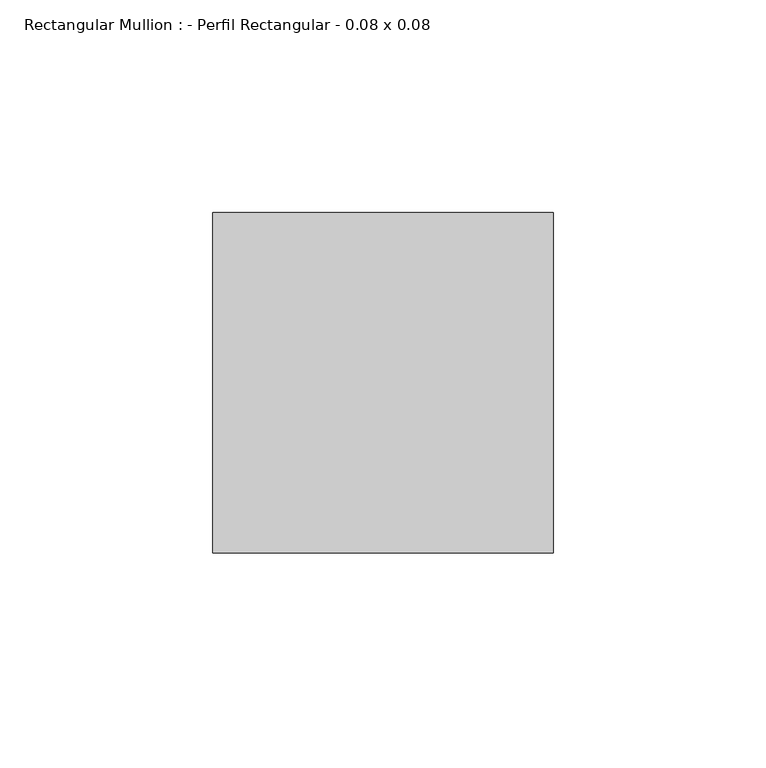
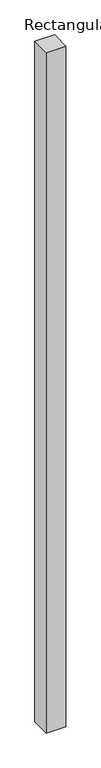
"""IFC4 building model written with IfcOpenShell, lengths in millimetres: member geometry, Rectangular Mullion : - Perfil Rectangular - 0.08 x 0.08."""

from ifc_helpers import new_model, si_unit, frame, origin, place, context, project, spatial, polyline, outline, extrude, source, transform, mapped, element, save


def rectangular_mullion_perfil_rectangular_0_08_x_0_08_0f60dfaa(model_context):
    return source(origin(), model_context, "Body", "SweptSolid", [
        extrude(outline(polyline([(0.0, 80.0), (0.0, 0.0), (-80.0, 0.0), (-80.0, 80.0), (0.0, 80.0)])), frame((0.0, 0.0, -2920.0), z_axis=(0.0, 0.0, 1.0), x_axis=(1.0, 0.0, 0.0)), (0.0, 0.0, 1.0), 2920.0),
    ])


if __name__ == "__main__":
    model = new_model("IFC4")
    model_context = context("Model", 3, world=origin())
    ifc_project = project(units=[si_unit("LENGTHUNIT", "METRE", prefix="MILLI")], contexts=[model_context])
    site = spatial("IfcSite", under=ifc_project)
    building = spatial("IfcBuilding", under=site)
    placement = place(None, origin())
    rectangular_mullion_perfil_rectangular_0_08_x_0_08_shape = rectangular_mullion_perfil_rectangular_0_08_x_0_08_0f60dfaa(model_context)
    element("IfcMember", 1, ObjectType="Rectangular Mullion : - Perfil Rectangular - 0.08 x 0.08", at=placement, inside=building, context=model_context, shape_type="MappedRepresentation", body=[
        mapped(rectangular_mullion_perfil_rectangular_0_08_x_0_08_shape, transform((0.0, 0.0, 0.0), x_axis=(1.0, 0.0, 0.0), y_axis=(0.0, 1.0, 0.0), z_axis=(0.0, 0.0, 1.0))),
    ])
    save(model, "model.ifc")
